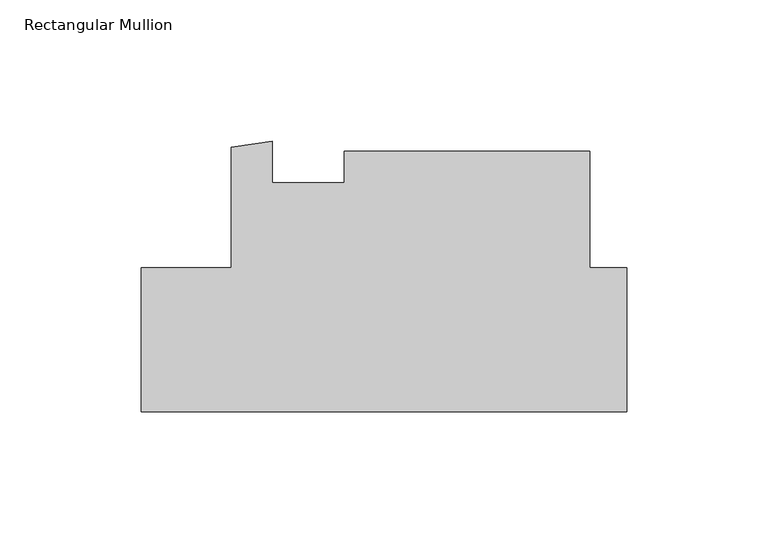
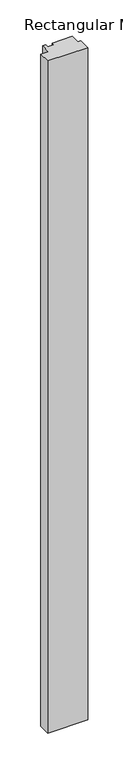
"""IFC4 building model written with IfcOpenShell, lengths in millimetres: member geometry, Rectangular Mullion."""

from ifc_helpers import new_model, si_unit, frame, origin, place, context, project, spatial, polyline, outline, extrude, source, transform, mapped, element, save


def rectangular_mullion_ec5dad3e(model_context):
    return source(origin(), model_context, "Body", "SweptSolid", [
        extrude(outline(polyline([(-171.4499999, -0.032266), (-139.7010309, -0.032266), (-139.7010309, 42.5831163), (-125.1965715, 44.6388665), (-125.1965715, 30.1302341), (-99.7975059, 30.1302341), (-99.7975059, 41.2427341), (-12.9550309, 41.2427341), (-12.9550309, 0.0), (0.0, 0.0), (0.0, -50.8322656), (-171.4499999, -50.8322656), (-171.4499999, -0.032266)])), frame((0.0, 0.0, -3048.0), z_axis=(0.0, 0.0, 1.0), x_axis=(1.0, 0.0, 0.0)), (0.0, 0.0, 1.0), 3048.0),
    ])


if __name__ == "__main__":
    model = new_model("IFC4")
    model_context = context("Model", 3, world=origin())
    ifc_project = project(units=[si_unit("LENGTHUNIT", "METRE", prefix="MILLI")], contexts=[model_context])
    site = spatial("IfcSite", under=ifc_project)
    building = spatial("IfcBuilding", under=site)
    placement = place(None, origin())
    rectangular_mullion_shape = rectangular_mullion_ec5dad3e(model_context)
    element("IfcMember", 1, ObjectType="Rectangular Mullion", at=placement, inside=building, context=model_context, shape_type="MappedRepresentation", body=[
        mapped(rectangular_mullion_shape, transform((0.0, 0.0, 0.0), x_axis=(1.0, 0.0, 0.0), y_axis=(0.0, 1.0, 0.0), z_axis=(0.0, 0.0, 1.0))),
    ])
    save(model, "model.ifc")
